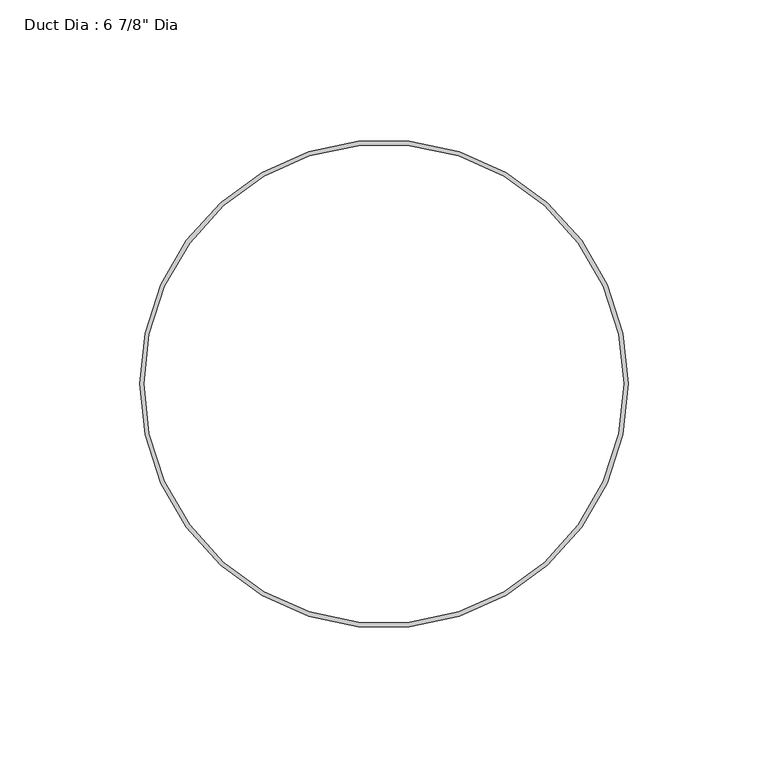
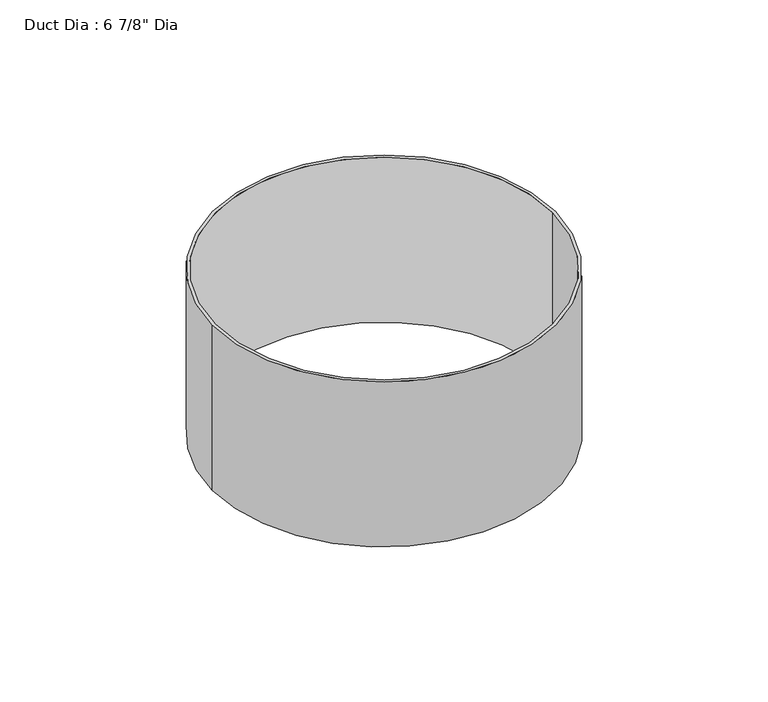
"""IFC4 building model written with IfcOpenShell, lengths in millimetres: proxy geometry."""

import ifcopenshell
import ifcopenshell.guid

model = None  # the IFC model being written
_history = None  # IfcOwnerHistory: only IFC2X3 demands one
_inside = {}  # id of a spatial element -> (the spatial element, [elements in it])
_under = {}  # id of a project, library or spatial element -> (it, [spatial elements below it])
_declared = {}  # id of a project -> (the project, [libraries it declares])
_typed = {}  # id of a type object -> (the type object, [elements of that type])
_made_of = {}  # id of a material, layer set ... -> (it, [elements and type objects made of it])


def new_model(schema):
    """Start an empty IFC model of exactly this schema.

    Asked for "IFC4X3", IfcOpenShell would pick the latest addendum, in which some entities
    have other attributes; the version numbers below select the first issue.
    IFC2X3 requires an IfcOwnerHistory on every rooted entity: one is made here for all.
    """
    global model, _history
    if schema == "IFC4X3":
        model = ifcopenshell.file(schema_version=(4, 3, 0, 0))
    else:
        model = ifcopenshell.file(schema=schema)
    _inside.clear()
    _under.clear()
    _declared.clear()
    _typed.clear()
    _made_of.clear()
    _history = None
    if model.schema == "IFC2X3":
        org = make("IfcOrganization", Name="unknown")
        user = make(
            "IfcPersonAndOrganization",
            ThePerson=make("IfcPerson", FamilyName="unknown"),
            TheOrganization=org,
        )
        app = make(
            "IfcApplication",
            ApplicationDeveloper=org,
            Version="unknown",
            ApplicationFullName="unknown",
            ApplicationIdentifier="unknown",
        )
        _history = make(
            "IfcOwnerHistory",
            OwningUser=user,
            OwningApplication=app,
            ChangeAction="ADDED",
            CreationDate=0,
        )
    return model


def make(cls, **values):
    """One entity of the class cls with the attributes given. An attribute that is None is left unset."""
    return model.create_entity(
        cls, **{name: value for name, value in values.items() if value is not None}
    )


def rooted(cls, **values):
    """An entity with a GlobalId (a new one), such as an element, a storey or a relation."""
    return make(cls, GlobalId=ifcopenshell.guid.new(), OwnerHistory=_history, **values)


def si_unit(unit_type, name, prefix=None):
    """IfcSIUnit, for example si_unit("LENGTHUNIT", "METRE", prefix="MILLI")."""
    return make("IfcSIUnit", UnitType=unit_type, Prefix=prefix, Name=name)


def assignment(units):
    """IfcUnitAssignment: the units of a project."""
    return None if units is None else make("IfcUnitAssignment", Units=units)


def point(xyz):
    """IfcCartesianPoint."""
    return None if xyz is None else make("IfcCartesianPoint", Coordinates=xyz)


def direction(xyz):
    """IfcDirection."""
    return None if xyz is None else make("IfcDirection", DirectionRatios=xyz)


def frame(location, z_axis=None, x_axis=None):
    """IfcAxis2Placement3D, a coordinate frame: its origin and axes. An axis left out is left unset."""
    return make(
        "IfcAxis2Placement3D",
        Location=point(location),
        Axis=direction(z_axis),
        RefDirection=direction(x_axis),
    )


def frame_2d(location, x_axis=None):
    """IfcAxis2Placement2D, a coordinate frame in the plane: its origin and x axis."""
    return make(
        "IfcAxis2Placement2D", Location=point(location), RefDirection=direction(x_axis)
    )


def origin():
    """The frame at (0, 0, 0) with its axes left unset."""
    return frame((0.0, 0.0, 0.0))


def origin_with_axes():
    """The frame at (0, 0, 0) with the z axis (0, 0, 1) and the x axis (1, 0, 0) written out."""
    return frame((0.0, 0.0, 0.0), z_axis=(0.0, 0.0, 1.0), x_axis=(1.0, 0.0, 0.0))


def origin_2d():
    """The frame at (0, 0) in the plane with its x axis left unset."""
    return frame_2d((0.0, 0.0))


def place(relative_to, where):
    """IfcLocalPlacement: puts the frame where relative to a parent placement (None: the world)."""
    return make(
        "IfcLocalPlacement", PlacementRelTo=relative_to, RelativePlacement=where
    )


def context(
    kind, dimensions, precision=None, world=None, true_north=None, identifier=None
):
    """IfcGeometricRepresentationContext, for example the 3D "Model" context."""
    return make(
        "IfcGeometricRepresentationContext",
        ContextIdentifier=identifier,
        ContextType=kind,
        CoordinateSpaceDimension=dimensions,
        Precision=precision,
        WorldCoordinateSystem=world,
        TrueNorth=true_north,
    )


def project(units=None, contexts=None):
    """IfcProject with its units and contexts."""
    return rooted(
        "IfcProject",
        Name="project",
        RepresentationContexts=contexts,
        UnitsInContext=assignment(units),
    )


def spatial(cls, under=None, at=None, **own):
    """A site, building, storey or space (cls), placed at a placement, below another one or the project."""
    s = rooted(cls, ObjectPlacement=at, **own)
    if under is not None:
        _under.setdefault(under.id(), (under, []))[1].append(s)
    return s


def circle_curve(where, radius):
    """IfcCircle in the frame where."""
    return make("IfcCircle", Position=where, Radius=radius)


def trimmed(basis, trim1, trim2, sense, master):
    """IfcTrimmedCurve: the piece of a basis curve between two trims."""
    return make(
        "IfcTrimmedCurve",
        BasisCurve=basis,
        Trim1=trim1,
        Trim2=trim2,
        SenseAgreement=sense,
        MasterRepresentation=master,
    )


def segment(curve, same_sense, transition):
    """IfcCompositeCurveSegment."""
    return make(
        "IfcCompositeCurveSegment",
        Transition=transition,
        SameSense=same_sense,
        ParentCurve=curve,
    )


def composite_curve(segments, self_intersect=None):
    """IfcCompositeCurve: segments joined end to end."""
    return make("IfcCompositeCurve", Segments=segments, SelfIntersect=self_intersect)


def outline(outer, holes=None, kind="AREA"):
    """IfcArbitraryClosedProfileDef: a profile drawn as a closed curve; with holes, ...WithVoids."""
    if holes is None:
        return make("IfcArbitraryClosedProfileDef", ProfileType=kind, OuterCurve=outer)
    return make(
        "IfcArbitraryProfileDefWithVoids",
        ProfileType=kind,
        OuterCurve=outer,
        InnerCurves=holes,
    )


def extrude(swept, where, along, depth):
    """IfcExtrudedAreaSolid: the profile swept, set in the frame where, extruded along a direction by depth."""
    return make(
        "IfcExtrudedAreaSolid",
        SweptArea=swept,
        Position=where,
        ExtrudedDirection=direction(along),
        Depth=depth,
    )


def shape(context_of_items, identifier, shape_type, items):
    """IfcShapeRepresentation: the items that make up one representation, for example the "Body"."""
    return make(
        "IfcShapeRepresentation",
        ContextOfItems=context_of_items,
        RepresentationIdentifier=identifier,
        RepresentationType=shape_type,
        Items=items,
    )


def source(mapping_origin, context_of_items, identifier, shape_type, items):
    """IfcRepresentationMap: a shape defined once, which mapped items show again and again."""
    return make(
        "IfcRepresentationMap",
        MappingOrigin=mapping_origin,
        MappedRepresentation=shape(context_of_items, identifier, shape_type, items),
    )


def transform(
    local_origin,
    x_axis=None,
    y_axis=None,
    z_axis=None,
    scale=None,
    scale2=None,
    scale3=None,
    uniform=True,
):
    """IfcCartesianTransformationOperator3D, or its non-uniform kind. x_axis, y_axis, z_axis: its Axis1, 2, 3."""
    if uniform:
        return make(
            "IfcCartesianTransformationOperator3D",
            Axis1=direction(x_axis),
            Axis2=direction(y_axis),
            LocalOrigin=point(local_origin),
            Scale=scale,
            Axis3=direction(z_axis),
        )
    return make(
        "IfcCartesianTransformationOperator3DnonUniform",
        Axis1=direction(x_axis),
        Axis2=direction(y_axis),
        LocalOrigin=point(local_origin),
        Scale=scale,
        Axis3=direction(z_axis),
        Scale2=scale2,
        Scale3=scale3,
    )


def mapped(mapping_source, mapping_target):
    """IfcMappedItem: shows the shape of a source again, moved by a transform."""
    return make(
        "IfcMappedItem", MappingSource=mapping_source, MappingTarget=mapping_target
    )


def made_of(thing, what):
    """Note that an element or type object is made of a material, layer set ...; save() writes the relation."""
    if what is not None:
        _made_of.setdefault(what.id(), (what, []))[1].append(thing)
    return thing


def element(
    cls,
    number,
    at=None,
    inside=None,
    cuts=None,
    type_object=None,
    material=None,
    context=None,
    identifier="Body",
    shape_type=None,
    held_by="IfcProductDefinitionShape",
    body=None,
    shapes=None,
    **own,
):
    """One element of the class cls, such as IfcWall. Its Tag is "e" and its number.

    at: its placement. inside: the storey or other place that contains it. cuts: it is an
    opening in that element (IfcRelVoidsElement). A single representation is given by context,
    identifier, shape_type and body (its items); several are given by shapes. held_by: the class
    of the entity that holds the representations. save() writes the other relations.
    """
    e = rooted(cls, Tag="e%d" % number, ObjectPlacement=at, **own)
    if body is not None:
        shapes = [shape(context, identifier, shape_type, body)]
    if shapes is not None:
        e.Representation = make(held_by, Representations=shapes)
    if inside is not None:
        _inside.setdefault(inside.id(), (inside, []))[1].append(e)
    if cuts is not None:
        rooted(
            "IfcRelVoidsElement", RelatingBuildingElement=cuts, RelatedOpeningElement=e
        )
    if type_object is not None:
        _typed.setdefault(type_object.id(), (type_object, []))[1].append(e)
    return made_of(e, material)


def aggregate(whole, parts):
    """IfcRelAggregates: a whole, such as a stair, and the parts it consists of."""
    return rooted("IfcRelAggregates", RelatingObject=whole, RelatedObjects=parts)


def save(model, path):
    """Write the relations noted so far, then the file.

    IfcRelAggregates (storeys below a building ...), IfcRelContainedInSpatialStructure (elements
    in a storey), IfcRelDefinesByType, IfcRelAssociatesMaterial and IfcRelDeclares: one each for
    every whole, place, type object, material and project.
    """
    for whole, parts in _under.values():
        aggregate(whole, parts)
    for where, things in _inside.values():
        rooted(
            "IfcRelContainedInSpatialStructure",
            RelatedElements=things,
            RelatingStructure=where,
        )
    for kind, things in _typed.values():
        rooted("IfcRelDefinesByType", RelatedObjects=things, RelatingType=kind)
    for what, things in _made_of.values():
        rooted("IfcRelAssociatesMaterial", RelatedObjects=things, RelatingMaterial=what)
    for by, libraries in _declared.values():
        rooted("IfcRelDeclares", RelatingContext=by, RelatedDefinitions=libraries)
    model.write(path)


def proxy_e7c06567(model_context):
    return source(origin(), model_context, "Body", "SweptSolid", [
        extrude(outline(composite_curve([segment(trimmed(circle_curve(origin_2d(), 87.3125), [point((-87.3125, 0.0))], [point((87.3125, 0.0))], False, "CARTESIAN"), True, "CONTINUOUS"), segment(trimmed(circle_curve(origin_2d(), 87.3125), [point((87.3125, 0.0))], [point((-87.3125, 0.0))], False, "CARTESIAN"), True, "CONTINUOUS")], self_intersect=False), holes=[composite_curve([segment(trimmed(circle_curve(origin_2d(), 85.725), [point((-85.725, 0.0))], [point((85.725, 0.0))], True, "CARTESIAN"), True, "CONTINUOUS"), segment(trimmed(circle_curve(origin_2d(), 85.725), [point((85.725, 0.0))], [point((-85.725, 0.0))], True, "CARTESIAN"), True, "CONTINUOUS")], self_intersect=False)]), origin_with_axes(), (0.0, 0.0, 1.0), 88.9),
    ])


if __name__ == "__main__":
    model = new_model("IFC4")
    model_context = context("Model", 3, world=origin())
    ifc_project = project(units=[si_unit("LENGTHUNIT", "METRE", prefix="MILLI")], contexts=[model_context])
    site = spatial("IfcSite", under=ifc_project)
    building = spatial("IfcBuilding", under=site)
    placement = place(None, origin())
    proxy_shape = proxy_e7c06567(model_context)
    element("IfcBuildingElementProxy", 1, Name="Duct Dia : 6 7/8\" Dia", ObjectType="Duct Dia : 6 7/8\" Dia", at=placement, inside=building, context=model_context, shape_type="MappedRepresentation", body=[
        mapped(proxy_shape, transform((0.0, 0.0, 0.0), x_axis=(1.0, 0.0, 0.0), y_axis=(0.0, 1.0, 0.0), z_axis=(0.0, 0.0, 1.0))),
    ])
    save(model, "model.ifc")
